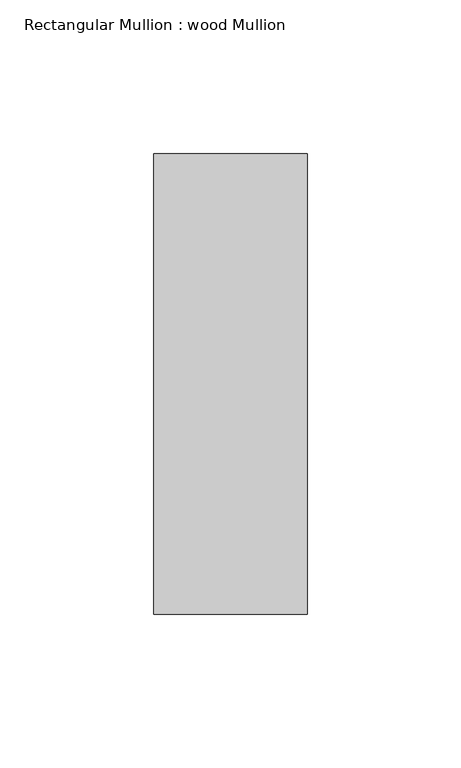
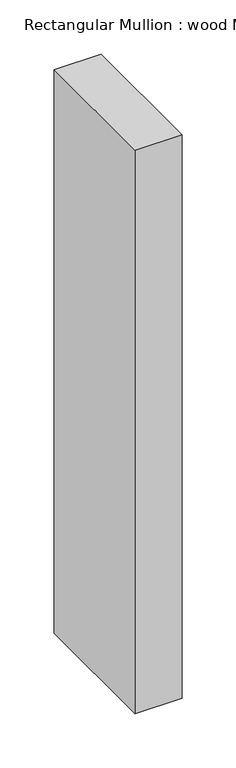
"""IFC4 building model written with IfcOpenShell, lengths in millimetres: member geometry, Rectangular Mullion : wood Mullion."""

import ifcopenshell
import ifcopenshell.guid

model = None  # the IFC model being written
_history = None  # IfcOwnerHistory: only IFC2X3 demands one
_inside = {}  # id of a spatial element -> (the spatial element, [elements in it])
_under = {}  # id of a project, library or spatial element -> (it, [spatial elements below it])
_declared = {}  # id of a project -> (the project, [libraries it declares])
_typed = {}  # id of a type object -> (the type object, [elements of that type])
_made_of = {}  # id of a material, layer set ... -> (it, [elements and type objects made of it])


def new_model(schema):
    """Start an empty IFC model of exactly this schema.

    Asked for "IFC4X3", IfcOpenShell would pick the latest addendum, in which some entities
    have other attributes; the version numbers below select the first issue.
    IFC2X3 requires an IfcOwnerHistory on every rooted entity: one is made here for all.
    """
    global model, _history
    if schema == "IFC4X3":
        model = ifcopenshell.file(schema_version=(4, 3, 0, 0))
    else:
        model = ifcopenshell.file(schema=schema)
    _inside.clear()
    _under.clear()
    _declared.clear()
    _typed.clear()
    _made_of.clear()
    _history = None
    if model.schema == "IFC2X3":
        org = make("IfcOrganization", Name="unknown")
        user = make(
            "IfcPersonAndOrganization",
            ThePerson=make("IfcPerson", FamilyName="unknown"),
            TheOrganization=org,
        )
        app = make(
            "IfcApplication",
            ApplicationDeveloper=org,
            Version="unknown",
            ApplicationFullName="unknown",
            ApplicationIdentifier="unknown",
        )
        _history = make(
            "IfcOwnerHistory",
            OwningUser=user,
            OwningApplication=app,
            ChangeAction="ADDED",
            CreationDate=0,
        )
    return model


def make(cls, **values):
    """One entity of the class cls with the attributes given. An attribute that is None is left unset."""
    return model.create_entity(
        cls, **{name: value for name, value in values.items() if value is not None}
    )


def rooted(cls, **values):
    """An entity with a GlobalId (a new one), such as an element, a storey or a relation."""
    return make(cls, GlobalId=ifcopenshell.guid.new(), OwnerHistory=_history, **values)


def si_unit(unit_type, name, prefix=None):
    """IfcSIUnit, for example si_unit("LENGTHUNIT", "METRE", prefix="MILLI")."""
    return make("IfcSIUnit", UnitType=unit_type, Prefix=prefix, Name=name)


def assignment(units):
    """IfcUnitAssignment: the units of a project."""
    return None if units is None else make("IfcUnitAssignment", Units=units)


def point(xyz):
    """IfcCartesianPoint."""
    return None if xyz is None else make("IfcCartesianPoint", Coordinates=xyz)


def direction(xyz):
    """IfcDirection."""
    return None if xyz is None else make("IfcDirection", DirectionRatios=xyz)


def frame(location, z_axis=None, x_axis=None):
    """IfcAxis2Placement3D, a coordinate frame: its origin and axes. An axis left out is left unset."""
    return make(
        "IfcAxis2Placement3D",
        Location=point(location),
        Axis=direction(z_axis),
        RefDirection=direction(x_axis),
    )


def origin():
    """The frame at (0, 0, 0) with its axes left unset."""
    return frame((0.0, 0.0, 0.0))


def place(relative_to, where):
    """IfcLocalPlacement: puts the frame where relative to a parent placement (None: the world)."""
    return make(
        "IfcLocalPlacement", PlacementRelTo=relative_to, RelativePlacement=where
    )


def context(
    kind, dimensions, precision=None, world=None, true_north=None, identifier=None
):
    """IfcGeometricRepresentationContext, for example the 3D "Model" context."""
    return make(
        "IfcGeometricRepresentationContext",
        ContextIdentifier=identifier,
        ContextType=kind,
        CoordinateSpaceDimension=dimensions,
        Precision=precision,
        WorldCoordinateSystem=world,
        TrueNorth=true_north,
    )


def project(units=None, contexts=None):
    """IfcProject with its units and contexts."""
    return rooted(
        "IfcProject",
        Name="project",
        RepresentationContexts=contexts,
        UnitsInContext=assignment(units),
    )


def spatial(cls, under=None, at=None, **own):
    """A site, building, storey or space (cls), placed at a placement, below another one or the project."""
    s = rooted(cls, ObjectPlacement=at, **own)
    if under is not None:
        _under.setdefault(under.id(), (under, []))[1].append(s)
    return s


def polyline(points):
    """IfcPolyline through the points."""
    return make("IfcPolyline", Points=[point(p) for p in points])


def outline(outer, holes=None, kind="AREA"):
    """IfcArbitraryClosedProfileDef: a profile drawn as a closed curve; with holes, ...WithVoids."""
    if holes is None:
        return make("IfcArbitraryClosedProfileDef", ProfileType=kind, OuterCurve=outer)
    return make(
        "IfcArbitraryProfileDefWithVoids",
        ProfileType=kind,
        OuterCurve=outer,
        InnerCurves=holes,
    )


def extrude(swept, where, along, depth):
    """IfcExtrudedAreaSolid: the profile swept, set in the frame where, extruded along a direction by depth."""
    return make(
        "IfcExtrudedAreaSolid",
        SweptArea=swept,
        Position=where,
        ExtrudedDirection=direction(along),
        Depth=depth,
    )


def shape(context_of_items, identifier, shape_type, items):
    """IfcShapeRepresentation: the items that make up one representation, for example the "Body"."""
    return make(
        "IfcShapeRepresentation",
        ContextOfItems=context_of_items,
        RepresentationIdentifier=identifier,
        RepresentationType=shape_type,
        Items=items,
    )


def source(mapping_origin, context_of_items, identifier, shape_type, items):
    """IfcRepresentationMap: a shape defined once, which mapped items show again and again."""
    return make(
        "IfcRepresentationMap",
        MappingOrigin=mapping_origin,
        MappedRepresentation=shape(context_of_items, identifier, shape_type, items),
    )


def transform(
    local_origin,
    x_axis=None,
    y_axis=None,
    z_axis=None,
    scale=None,
    scale2=None,
    scale3=None,
    uniform=True,
):
    """IfcCartesianTransformationOperator3D, or its non-uniform kind. x_axis, y_axis, z_axis: its Axis1, 2, 3."""
    if uniform:
        return make(
            "IfcCartesianTransformationOperator3D",
            Axis1=direction(x_axis),
            Axis2=direction(y_axis),
            LocalOrigin=point(local_origin),
            Scale=scale,
            Axis3=direction(z_axis),
        )
    return make(
        "IfcCartesianTransformationOperator3DnonUniform",
        Axis1=direction(x_axis),
        Axis2=direction(y_axis),
        LocalOrigin=point(local_origin),
        Scale=scale,
        Axis3=direction(z_axis),
        Scale2=scale2,
        Scale3=scale3,
    )


def mapped(mapping_source, mapping_target):
    """IfcMappedItem: shows the shape of a source again, moved by a transform."""
    return make(
        "IfcMappedItem", MappingSource=mapping_source, MappingTarget=mapping_target
    )


def made_of(thing, what):
    """Note that an element or type object is made of a material, layer set ...; save() writes the relation."""
    if what is not None:
        _made_of.setdefault(what.id(), (what, []))[1].append(thing)
    return thing


def element(
    cls,
    number,
    at=None,
    inside=None,
    cuts=None,
    type_object=None,
    material=None,
    context=None,
    identifier="Body",
    shape_type=None,
    held_by="IfcProductDefinitionShape",
    body=None,
    shapes=None,
    **own,
):
    """One element of the class cls, such as IfcWall. Its Tag is "e" and its number.

    at: its placement. inside: the storey or other place that contains it. cuts: it is an
    opening in that element (IfcRelVoidsElement). A single representation is given by context,
    identifier, shape_type and body (its items); several are given by shapes. held_by: the class
    of the entity that holds the representations. save() writes the other relations.
    """
    e = rooted(cls, Tag="e%d" % number, ObjectPlacement=at, **own)
    if body is not None:
        shapes = [shape(context, identifier, shape_type, body)]
    if shapes is not None:
        e.Representation = make(held_by, Representations=shapes)
    if inside is not None:
        _inside.setdefault(inside.id(), (inside, []))[1].append(e)
    if cuts is not None:
        rooted(
            "IfcRelVoidsElement", RelatingBuildingElement=cuts, RelatedOpeningElement=e
        )
    if type_object is not None:
        _typed.setdefault(type_object.id(), (type_object, []))[1].append(e)
    return made_of(e, material)


def aggregate(whole, parts):
    """IfcRelAggregates: a whole, such as a stair, and the parts it consists of."""
    return rooted("IfcRelAggregates", RelatingObject=whole, RelatedObjects=parts)


def save(model, path):
    """Write the relations noted so far, then the file.

    IfcRelAggregates (storeys below a building ...), IfcRelContainedInSpatialStructure (elements
    in a storey), IfcRelDefinesByType, IfcRelAssociatesMaterial and IfcRelDeclares: one each for
    every whole, place, type object, material and project.
    """
    for whole, parts in _under.values():
        aggregate(whole, parts)
    for where, things in _inside.values():
        rooted(
            "IfcRelContainedInSpatialStructure",
            RelatedElements=things,
            RelatingStructure=where,
        )
    for kind, things in _typed.values():
        rooted("IfcRelDefinesByType", RelatedObjects=things, RelatingType=kind)
    for what, things in _made_of.values():
        rooted("IfcRelAssociatesMaterial", RelatedObjects=things, RelatingMaterial=what)
    for by, libraries in _declared.values():
        rooted("IfcRelDeclares", RelatingContext=by, RelatedDefinitions=libraries)
    model.write(path)


def rectangular_mullion_wood_mullion_34b7172e(model_context):
    return source(origin(), model_context, "Body", "SweptSolid", [
        extrude(outline(polyline([(0.0, 75.0), (0.0, -75.0), (-50.0, -75.0), (-50.0, 75.0), (0.0, 75.0)])), frame((0.0, 0.0, -635.0), z_axis=(0.0, 0.0, 1.0), x_axis=(1.0, 0.0, 0.0)), (0.0, 0.0, 1.0), 635.0),
    ])


if __name__ == "__main__":
    model = new_model("IFC4")
    model_context = context("Model", 3, world=origin())
    ifc_project = project(units=[si_unit("LENGTHUNIT", "METRE", prefix="MILLI")], contexts=[model_context])
    site = spatial("IfcSite", under=ifc_project)
    building = spatial("IfcBuilding", under=site)
    placement = place(None, origin())
    rectangular_mullion_wood_mullion_shape = rectangular_mullion_wood_mullion_34b7172e(model_context)
    element("IfcMember", 1, ObjectType="Rectangular Mullion : wood Mullion", at=placement, inside=building, context=model_context, shape_type="MappedRepresentation", body=[
        mapped(rectangular_mullion_wood_mullion_shape, transform((0.0, 0.0, 0.0), x_axis=(1.0, 0.0, 0.0), y_axis=(0.0, 1.0, 0.0), z_axis=(0.0, 0.0, 1.0))),
    ])
    save(model, "model.ifc")
